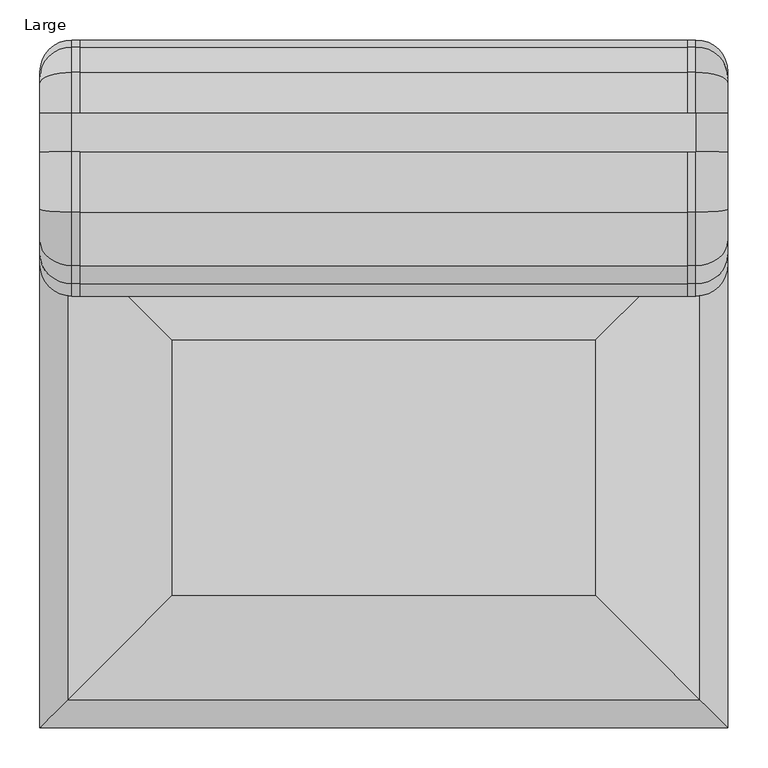
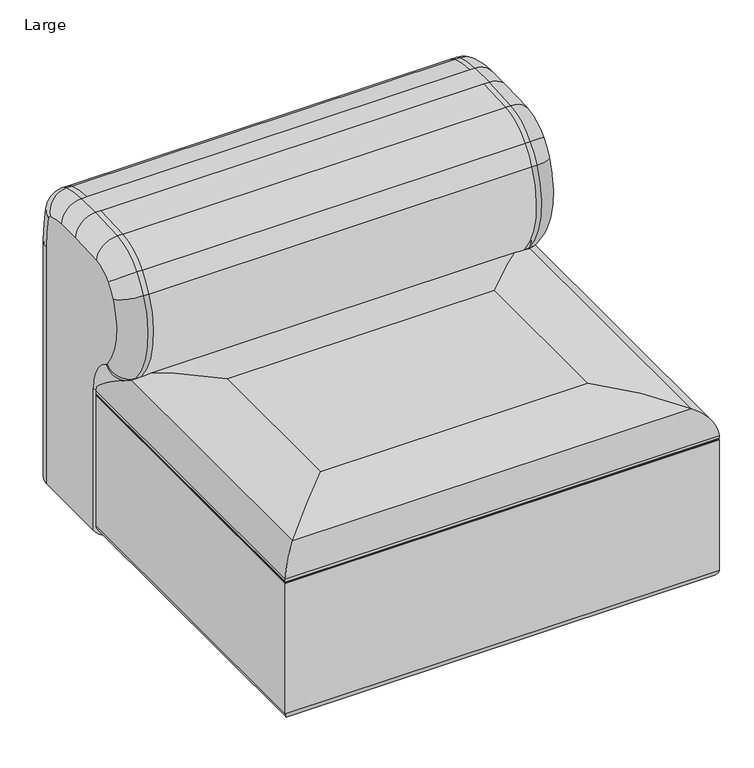
"""IFC4 building model written with IfcOpenShell, lengths in millimetres: furniture geometry, Large."""

from ifc_helpers import new_model, si_unit, point, frame, frame_2d, origin, origin_with_axes, place, context, project, spatial, polyline, circle_curve, ellipse_curve, trimmed, segment, composite_curve, outline, extrude, source, transform, mapped, element, save
from ifc_brep_helpers import plane_surface, cylinder_surface, revolved_surface, advanced_brep


def large_94287460(model_context):
    return source(origin(), model_context, "Body", "SolidModel", [
        advanced_brep(
        [(40.0, -240.0, 25.0), (0.0, -200.0, 25.0), (0.0, -40.0, 25.0), (40.0, 0.0, 25.0), (820.0, 0.0, 25.0), (860.0, -40.0, 25.0), (860.0, -200.0, 25.0), (820.0, -240.0, 25.0), (50.0, -240.0, 322.2258016), (40.0, -240.0, 322.2258016), (820.0, -240.0, 322.2258016), (810.0, -240.0, 322.2258016), (0.0, -200.0, 322.2258016), (0.0, -244.8690097, 400.0923137), (0.0, -247.5141046, 402.315325), (0.0, -268.1557528, 549.3060382), (0.0, -251.5115397, 575.7516627), (0.0, -211.4230155, 596.6382998), (0.0, -140.0193513, 600.0), (0.0, -91.7778918, 600.0), (0.0, -54.0888011, 593.3418233), (0.0, -47.7883578, 586.2689292), (0.0, -40.0, 520.0971421), (50.0, -264.9272276, 365.484975), (40.0, -264.9272276, 365.484975), (40.0, -304.6919644, 565.5880912), (40.0, -278.1527024, 376.6000313), (50.0, -278.1527024, 376.6000313), (50.0, -304.6919644, 565.5880912), (50.0, -281.99531, 601.6503064), (40.0, -281.99531, 601.6503064), (50.0, -215.1811031, 636.4613682), (40.0, -215.1811031, 636.4613682), (50.0, -140.0193513, 640.0), (40.0, -140.0193513, 640.0), (810.0, -140.0193513, 640.0), (820.0, -140.0193513, 640.0), (820.0, -91.7778918, 640.0), (810.0, -91.7778918, 640.0), (50.0, -91.7778918, 640.0), (40.0, -91.7778918, 640.0), (50.0, -40.3836772, 630.9206681), (40.0, -40.3836772, 630.9206681), (50.0, -8.8814606, 595.5561976), (40.0, -8.8814606, 595.5561976), (50.0, 0.0, 520.0971421), (40.0, 0.0, 520.0971421), (810.0, 0.0, 520.0971421), (820.0, 0.0, 520.0971421), (860.0, -40.0, 520.0971421), (860.0, -47.7883578, 586.2689292), (860.0, -54.0888011, 593.3418233), (860.0, -91.7778918, 600.0), (860.0, -140.0193513, 600.0), (860.0, -211.4230155, 596.6382998), (860.0, -251.5115397, 575.7516627), (860.0, -268.1557528, 549.3060382), (860.0, -247.5141046, 402.315325), (860.0, -244.8690097, 400.0923137), (860.0, -200.0, 322.2258016), (820.0, -264.9272276, 365.484975), (810.0, -264.9272276, 365.484975), (820.0, -278.1527024, 376.6000313), (810.0, -278.1527024, 376.6000313), (820.0, -304.6919644, 565.5880912), (810.0, -304.6919644, 565.5880912), (820.0, -281.99531, 601.6503064), (810.0, -281.99531, 601.6503064), (820.0, -215.1811031, 636.4613682), (810.0, -215.1811031, 636.4613682), (820.0, -40.3836772, 630.9206681), (810.0, -40.3836772, 630.9206681), (820.0, -8.8814606, 595.5561976), (810.0, -8.8814606, 595.5561976)],
        [
            (0, 1, circle_curve(frame((40.0, -200.0, 25.0), z_axis=(0.0, 0.0, -1.0), x_axis=(1.0, 0.0, 0.0)), 40.0)),
            (1, 2),
            (2, 3, circle_curve(frame((40.0, -40.0, 25.0), z_axis=(0.0, 0.0, -1.0), x_axis=(1.0, 0.0, 0.0)), 40.0)),
            (3, 4),
            (4, 5, circle_curve(frame((820.0, -40.0, 25.0), z_axis=(0.0, 0.0, -1.0), x_axis=(1.0, 0.0, 0.0)), 40.0)),
            (5, 6),
            (6, 7, circle_curve(frame((820.0, -200.0, 25.0), z_axis=(0.0, 0.0, -1.0), x_axis=(1.0, 0.0, 0.0)), 40.0)),
            (7, 0),
            (8, 9),
            (9, 0),
            (7, 10),
            (10, 11),
            (11, 8),
            (9, 12, circle_curve(frame((40.0, -200.0, 322.2258016), z_axis=(0.0, 0.0, -1.0), x_axis=(1.0, 0.0, 0.0)), 40.0)),
            (12, 1),
            (12, 13, circle_curve(frame((0.0, -290.0, 322.2258016), z_axis=(1.0, 0.0, 0.0), x_axis=(0.0, 1.0, 0.0)), 90.0)),
            (13, 14, circle_curve(frame((0.0, -239.8544552, 408.7441484), z_axis=(-1.0, 0.0, 0.0), x_axis=(0.0, -0.5014554478643385, -0.86518346829281)), 10.0)),
            (14, 15, circle_curve(frame((0.0, -140.2790126, 492.3188529), z_axis=(-1.0, 0.0, 0.0), x_axis=(0.0, -0.7659649434069681, -0.6428823418570152)), 140.0)),
            (15, 16, circle_curve(frame((0.0, -167.6811712, 504.5303926), z_axis=(-1.0, 0.0, 0.0), x_axis=(0.0, -0.9134052877051051, 0.4070513240272708)), 110.0)),
            (16, 17, circle_curve(frame((0.0, -205.7858841, 536.9036972), z_axis=(-1.0, 0.0, 0.0), x_axis=(0.0, -0.7620942588295695, 0.6474660922851552)), 60.0)),
            (17, 18, circle_curve(frame((0.0, -140.0193513, -160.0), z_axis=(-1.0, 0.0, 0.0), x_axis=(0.0, -0.09395218974832444, 0.9955767102747507)), 760.0)),
            (18, 19),
            (19, 20, circle_curve(frame((0.0, -91.7778918, 490.0), z_axis=(-1.0, 0.0, 0.0), x_axis=(0.0, 0.0, 1.0)), 110.0)),
            (20, 21, circle_curve(frame((0.0, -57.5150821, 583.9471121), z_axis=(-1.0, 0.0, 0.0), x_axis=(0.0, 0.3426280969648097, 0.9394711209879061)), 10.0)),
            (21, 22, circle_curve(frame((0.0, -325.0, 520.0971421), z_axis=(-1.0, 0.0, 0.0), x_axis=(0.0, 0.9726724288891785, 0.23218170918232572)), 285.0)),
            (22, 2),
            (8, 23, circle_curve(frame((50.0, -290.0, 322.2258016), z_axis=(1.0, 0.0, 0.0), x_axis=(0.0, 1.0, 0.0)), 50.0)),
            (23, 24),
            (24, 9, circle_curve(frame((40.0, -290.0, 322.2258016), z_axis=(-1.0, 0.0, 0.0), x_axis=(0.0, 1.0, 0.0)), 50.0)),
            (24, 13, circle_curve(frame((40.0, -244.8690097, 400.0923137), z_axis=(0.0, 0.8651834682928035, -0.5014554478643498), x_axis=(1.0, 0.0, 0.0)), 40.0)),
            (25, 26, circle_curve(frame((40.0, -140.2790126, 492.3188529), z_axis=(1.0, 0.0, 0.0), x_axis=(0.0, -0.7659649434069681, -0.6428823418570152)), 180.0)),
            (26, 27),
            (27, 28, circle_curve(frame((50.0, -140.2790126, 492.3188529), z_axis=(-1.0, 0.0, 0.0), x_axis=(0.0, -0.7659649434069681, -0.6428823418570152)), 180.0)),
            (28, 25),
            (14, 26, circle_curve(frame((40.0, -247.5141046, 402.315325), z_axis=(0.0, -0.6428823418570151, 0.7659649434069682), x_axis=(1.0, 0.0, 0.0)), 40.0)),
            (25, 15, circle_curve(frame((40.0, -268.1557528, 549.3060382), z_axis=(0.0, -0.40705132402727234, -0.9134052877051044), x_axis=(1.0, 0.0, 0.0)), 40.0)),
            (28, 29, circle_curve(frame((50.0, -167.6811712, 504.5303926), z_axis=(-1.0, 0.0, 0.0), x_axis=(0.0, -0.9134052877051051, 0.4070513240272708)), 150.0)),
            (29, 30),
            (30, 25, circle_curve(frame((40.0, -167.6811712, 504.5303926), z_axis=(1.0, 0.0, 0.0), x_axis=(0.0, -0.9134052877051051, 0.4070513240272708)), 150.0)),
            (30, 16, circle_curve(frame((40.0, -251.5115397, 575.7516627), z_axis=(0.0, -0.6474660922851551, -0.7620942588295696), x_axis=(1.0, 0.0, 0.0)), 40.0)),
            (29, 31, circle_curve(frame((50.0, -205.7858841, 536.9036972), z_axis=(-1.0, 0.0, 0.0), x_axis=(0.0, -0.7620942588295695, 0.6474660922851552)), 100.0)),
            (31, 32),
            (32, 30, circle_curve(frame((40.0, -205.7858841, 536.9036972), z_axis=(1.0, 0.0, 0.0), x_axis=(0.0, -0.7620942588295695, 0.6474660922851552)), 100.0)),
            (32, 17, circle_curve(frame((40.0, -211.4230155, 596.6382998), z_axis=(0.0, -0.9955767102747507, -0.09395218974832364), x_axis=(1.0, 0.0, 0.0)), 40.0)),
            (31, 33, circle_curve(frame((50.0, -140.0193513, -160.0), z_axis=(-1.0, 0.0, 0.0), x_axis=(0.0, -0.09395218974832444, 0.9955767102747507)), 800.0)),
            (33, 34),
            (34, 32, circle_curve(frame((40.0, -140.0193513, -160.0), z_axis=(1.0, 0.0, 0.0), x_axis=(0.0, -0.09395218974832444, 0.9955767102747507)), 800.0)),
            (34, 18, circle_curve(frame((40.0, -140.0193513, 600.0), z_axis=(0.0, -1.0, 0.0), x_axis=(1.0, 0.0, 0.0)), 40.0)),
            (33, 35),
            (35, 36),
            (36, 37),
            (37, 38),
            (38, 39),
            (39, 40),
            (40, 34),
            (40, 19, circle_curve(frame((40.0, -91.7778918, 600.0), z_axis=(0.0, -1.0, 0.0), x_axis=(1.0, 0.0, 0.0)), 40.0)),
            (39, 41, circle_curve(frame((50.0, -91.7778918, 490.0), z_axis=(-1.0, 0.0, 0.0), x_axis=(0.0, 0.0, 1.0)), 150.0)),
            (41, 42),
            (42, 40, circle_curve(frame((40.0, -91.7778918, 490.0), z_axis=(1.0, 0.0, 0.0), x_axis=(0.0, 0.0, 1.0)), 150.0)),
            (42, 20, circle_curve(frame((40.0, -54.0888011, 593.3418233), z_axis=(0.0, -0.9394711209879061, 0.3426280969648097), x_axis=(1.0, 0.0, 0.0)), 40.0)),
            (41, 43, circle_curve(frame((50.0, -57.5150821, 583.9471121), z_axis=(-1.0, 0.0, 0.0), x_axis=(0.0, 0.3426280969648097, 0.9394711209879061)), 50.0)),
            (43, 44),
            (44, 42, circle_curve(frame((40.0, -57.5150821, 583.9471121), z_axis=(1.0, 0.0, 0.0), x_axis=(0.0, 0.3426280969648097, 0.9394711209879061)), 50.0)),
            (44, 21, circle_curve(frame((40.0, -47.7883578, 586.2689292), z_axis=(0.0, -0.2321817091823244, 0.9726724288891787), x_axis=(1.0, 0.0, 0.0)), 40.0)),
            (43, 45, circle_curve(frame((50.0, -325.0, 520.0971421), z_axis=(-1.0, 0.0, 0.0), x_axis=(0.0, 0.9726724288891785, 0.23218170918232572)), 325.0)),
            (45, 46),
            (46, 44, circle_curve(frame((40.0, -325.0, 520.0971421), z_axis=(1.0, 0.0, 0.0), x_axis=(0.0, 0.9726724288891785, 0.23218170918232572)), 325.0)),
            (46, 22, circle_curve(frame((40.0, -40.0, 520.0971421), z_axis=(0.0, 0.0, 1.0), x_axis=(1.0, 0.0, 0.0)), 40.0)),
            (45, 47),
            (47, 48),
            (48, 4),
            (3, 46),
            (5, 49),
            (49, 50, circle_curve(frame((860.0, -325.0, 520.0971421), z_axis=(1.0, 0.0, 0.0), x_axis=(0.0, 0.9726724288891785, 0.23218170918232572)), 285.0)),
            (50, 51, circle_curve(frame((860.0, -57.5150821, 583.9471121), z_axis=(1.0, 0.0, 0.0), x_axis=(0.0, 0.3426280969648097, 0.9394711209879061)), 10.0)),
            (51, 52, circle_curve(frame((860.0, -91.7778918, 490.0), z_axis=(1.0, 0.0, 0.0), x_axis=(0.0, 0.0, 1.0)), 110.0)),
            (52, 53),
            (53, 54, circle_curve(frame((860.0, -140.0193513, -160.0), z_axis=(1.0, 0.0, 0.0), x_axis=(0.0, -0.09395218974832444, 0.9955767102747507)), 760.0)),
            (54, 55, circle_curve(frame((860.0, -205.7858841, 536.9036972), z_axis=(1.0, 0.0, 0.0), x_axis=(0.0, -0.7620942588295695, 0.6474660922851552)), 60.0)),
            (55, 56, circle_curve(frame((860.0, -167.6811712, 504.5303926), z_axis=(1.0, 0.0, 0.0), x_axis=(0.0, -0.9134052877051051, 0.4070513240272708)), 110.0)),
            (56, 57, circle_curve(frame((860.0, -140.2790126, 492.3188529), z_axis=(1.0, 0.0, 0.0), x_axis=(0.0, -0.7659649434069681, -0.6428823418570152)), 140.0)),
            (57, 58, circle_curve(frame((860.0, -239.8544552, 408.7441484), z_axis=(1.0, 0.0, 0.0), x_axis=(0.0, -0.5014554478643385, -0.86518346829281)), 10.0)),
            (58, 59, circle_curve(frame((860.0, -290.0, 322.2258016), z_axis=(-1.0, 0.0, 0.0), x_axis=(0.0, 1.0, 0.0)), 90.0)),
            (59, 6),
            (59, 10, circle_curve(frame((820.0, -200.0, 322.2258016), z_axis=(0.0, 0.0, -1.0), x_axis=(1.0, 0.0, 0.0)), 40.0)),
            (58, 60, circle_curve(frame((820.0, -244.8690097, 400.0923137), z_axis=(0.0, 0.8651834682928066, -0.5014554478643445), x_axis=(1.0, 0.0, 0.0)), 40.0)),
            (60, 10, circle_curve(frame((820.0, -290.0, 322.2258016), z_axis=(-1.0, 0.0, 0.0), x_axis=(0.0, 1.0, 0.0)), 50.0)),
            (60, 61),
            (61, 11, circle_curve(frame((810.0, -290.0, 322.2258016), z_axis=(-1.0, 0.0, 0.0), x_axis=(0.0, 1.0, 0.0)), 50.0)),
            (23, 27, circle_curve(frame((50.0, -239.8544552, 408.7441484), z_axis=(-1.0, 0.0, 0.0), x_axis=(0.0, -0.5014554478643385, -0.86518346829281)), 50.0)),
            (26, 24, circle_curve(frame((40.0, -239.8544552, 408.7441484), z_axis=(1.0, 0.0, 0.0), x_axis=(0.0, -0.5014554478643385, -0.86518346829281)), 50.0)),
            (57, 62, circle_curve(frame((820.0, -247.5141046, 402.315325), z_axis=(0.0, 0.6428823418570166, -0.7659649434069669), x_axis=(1.0, 0.0, 0.0)), 40.0)),
            (62, 60, circle_curve(frame((820.0, -239.8544552, 408.7441484), z_axis=(1.0, 0.0, 0.0), x_axis=(0.0, -0.5014554478643385, -0.86518346829281)), 50.0)),
            (62, 63),
            (63, 61, circle_curve(frame((810.0, -239.8544552, 408.7441484), z_axis=(1.0, 0.0, 0.0), x_axis=(0.0, -0.5014554478643385, -0.86518346829281)), 50.0)),
            (56, 64, circle_curve(frame((820.0, -268.1557528, 549.3060382), z_axis=(0.0, -0.40705132402727234, -0.9134052877051044), x_axis=(1.0, 0.0, 0.0)), 40.0)),
            (64, 62, circle_curve(frame((820.0, -140.2790126, 492.3188529), z_axis=(1.0, 0.0, 0.0), x_axis=(0.0, -0.7659649434069681, -0.6428823418570152)), 180.0)),
            (64, 65),
            (65, 63, circle_curve(frame((810.0, -140.2790126, 492.3188529), z_axis=(1.0, 0.0, 0.0), x_axis=(0.0, -0.7659649434069681, -0.6428823418570152)), 180.0)),
            (55, 66, circle_curve(frame((820.0, -251.5115397, 575.7516627), z_axis=(0.0, -0.6474660922851553, -0.7620942588295695), x_axis=(1.0, 0.0, 0.0)), 40.0)),
            (66, 64, circle_curve(frame((820.0, -167.6811712, 504.5303926), z_axis=(1.0, 0.0, 0.0), x_axis=(0.0, -0.9134052877051051, 0.4070513240272708)), 150.0)),
            (66, 67),
            (67, 65, circle_curve(frame((810.0, -167.6811712, 504.5303926), z_axis=(1.0, 0.0, 0.0), x_axis=(0.0, -0.9134052877051051, 0.4070513240272708)), 150.0)),
            (54, 68, circle_curve(frame((820.0, -211.4230155, 596.6382998), z_axis=(0.0, -0.9955767102747507, -0.09395218974832398), x_axis=(1.0, 0.0, 0.0)), 40.0)),
            (68, 66, circle_curve(frame((820.0, -205.7858841, 536.9036972), z_axis=(1.0, 0.0, 0.0), x_axis=(0.0, -0.7620942588295695, 0.6474660922851552)), 100.0)),
            (68, 69),
            (69, 67, circle_curve(frame((810.0, -205.7858841, 536.9036972), z_axis=(1.0, 0.0, 0.0), x_axis=(0.0, -0.7620942588295695, 0.6474660922851552)), 100.0)),
            (53, 36, circle_curve(frame((820.0, -140.0193513, 600.0), z_axis=(0.0, -1.0, 0.0), x_axis=(1.0, 0.0, 0.0)), 40.0)),
            (36, 68, circle_curve(frame((820.0, -140.0193513, -160.0), z_axis=(1.0, 0.0, 0.0), x_axis=(0.0, -0.09395218974832444, 0.9955767102747507)), 800.0)),
            (35, 69, circle_curve(frame((810.0, -140.0193513, -160.0), z_axis=(1.0, 0.0, 0.0), x_axis=(0.0, -0.09395218974832444, 0.9955767102747507)), 800.0)),
            (52, 37, circle_curve(frame((820.0, -91.7778918, 600.0), z_axis=(0.0, -1.0, 0.0), x_axis=(1.0, 0.0, 0.0)), 40.0)),
            (51, 70, circle_curve(frame((820.0, -54.0888011, 593.3418233), z_axis=(0.0, -0.9394711209879061, 0.3426280969648097), x_axis=(1.0, 0.0, 0.0)), 40.0)),
            (70, 37, circle_curve(frame((820.0, -91.7778918, 490.0), z_axis=(1.0, 0.0, 0.0), x_axis=(0.0, 0.0, 1.0)), 150.0)),
            (70, 71),
            (71, 38, circle_curve(frame((810.0, -91.7778918, 490.0), z_axis=(1.0, 0.0, 0.0), x_axis=(0.0, 0.0, 1.0)), 150.0)),
            (50, 72, circle_curve(frame((820.0, -47.7883578, 586.2689292), z_axis=(0.0, -0.23218170918231668, 0.9726724288891806), x_axis=(1.0, 0.0, 0.0)), 40.0)),
            (72, 70, circle_curve(frame((820.0, -57.5150821, 583.9471121), z_axis=(1.0, 0.0, 0.0), x_axis=(0.0, 0.3426280969648097, 0.9394711209879061)), 50.0)),
            (72, 73),
            (73, 71, circle_curve(frame((810.0, -57.5150821, 583.9471121), z_axis=(1.0, 0.0, 0.0), x_axis=(0.0, 0.3426280969648097, 0.9394711209879061)), 50.0)),
            (49, 48, circle_curve(frame((820.0, -40.0, 520.0971421), z_axis=(0.0, 0.0, 1.0), x_axis=(1.0, 0.0, 0.0)), 40.0)),
            (48, 72, circle_curve(frame((820.0, -325.0, 520.0971421), z_axis=(1.0, 0.0, 0.0), x_axis=(0.0, 0.9726724288891785, 0.23218170918232572)), 325.0)),
            (47, 73, circle_curve(frame((810.0, -325.0, 520.0971421), z_axis=(1.0, 0.0, 0.0), x_axis=(0.0, 0.9726724288891785, 0.23218170918232572)), 325.0)),
            (43, 73),
            (41, 71),
            (31, 69),
            (29, 67),
            (28, 65),
            (27, 63),
            (61, 23),
        ],
        [
            plane_surface(frame((0.0, -240.0, 25.0), z_axis=(0.0, 0.0, -1.0), x_axis=(1.0, 0.0, 0.0))),
            plane_surface(frame((50.0, -240.0, 25.0), z_axis=(0.0, -1.0, 0.0), x_axis=(0.0, 0.0, 1.0))),
            cylinder_surface(frame((40.0, -200.0, 25.0), z_axis=(0.0, 0.0, -1.0), x_axis=(1.0, 0.0, 0.0)), 40.0),
            plane_surface(frame((0.0, -200.0, 25.0), z_axis=(-1.0, 0.0, 0.0), x_axis=(0.0, 0.0, 1.0))),
            revolved_surface(polyline([(50.0, -240.0, 322.2258016), (40.0, -240.0, 322.2258016)]), (0.0, -290.0, 322.2258016), (1.0, 0.0, 0.0)),
            revolved_surface(trimmed(ellipse_curve(frame((40.0, -200.0, 322.2258016), z_axis=(0.0, 0.0, -1.0), x_axis=(1.0, 0.0, 0.0)), 40.0, 40.0), [point((40.0, -240.0, 322.2258016))], [point((0.0, -200.0, 322.2258016))], True, "CARTESIAN"), (0.0, -290.0, 322.2258016), (1.0, 0.0, 0.0)),
            cylinder_surface(frame((0.0, -140.2790126, 492.3188529), z_axis=(-1.0, 0.0, 0.0), x_axis=(0.0, -0.7659649434069681, -0.6428823418570152)), 180.0),
            revolved_surface(trimmed(ellipse_curve(frame((40.0, -247.5141046, 402.315325), z_axis=(0.0, 0.6428823418570151, -0.7659649434069682), x_axis=(1.0, 0.0, 0.0)), 40.0, 40.0), [point((40.0, -278.1527024, 376.6000313))], [point((0.0, -247.5141046, 402.315325))], True, "CARTESIAN"), (0.0, -140.2790126, 492.3188529), (-1.0, 0.0, 0.0)),
            cylinder_surface(frame((0.0, -167.6811712, 504.5303926), z_axis=(-1.0, 0.0, 0.0), x_axis=(0.0, -0.9134052877051051, 0.4070513240272708)), 150.0),
            revolved_surface(trimmed(ellipse_curve(frame((40.0, -268.1557528, 549.3060382), z_axis=(0.0, -0.4070513240272708, -0.9134052877051051), x_axis=(1.0, 0.0, 0.0)), 40.0, 40.0), [point((40.0, -304.6919644, 565.5880912))], [point((0.0, -268.1557528, 549.3060382))], True, "CARTESIAN"), (0.0, -167.6811712, 504.5303926), (-1.0, 0.0, 0.0)),
            cylinder_surface(frame((0.0, -205.7858841, 536.9036972), z_axis=(-1.0, 0.0, 0.0), x_axis=(0.0, -0.7620942588295695, 0.6474660922851552)), 100.0),
            revolved_surface(trimmed(ellipse_curve(frame((40.0, -251.5115397, 575.7516627), z_axis=(0.0, -0.6474660922851553, -0.7620942588295694), x_axis=(1.0, 0.0, 0.0)), 40.0, 40.0), [point((40.0, -281.99531, 601.6503064))], [point((0.0, -251.5115397, 575.7516627))], True, "CARTESIAN"), (0.0, -205.7858841, 536.9036972), (-1.0, 0.0, 0.0)),
            cylinder_surface(frame((0.0, -140.0193513, -160.0), z_axis=(-1.0, 0.0, 0.0), x_axis=(0.0, -0.09395218974832444, 0.9955767102747507)), 800.0),
            revolved_surface(trimmed(ellipse_curve(frame((40.0, -211.4230155, 596.6382998), z_axis=(0.0, -0.9955767102747507, -0.0939521897483242), x_axis=(1.0, 0.0, 0.0)), 40.0, 40.0), [point((40.0, -215.1811031, 636.4613682))], [point((0.0, -211.4230155, 596.6382998))], True, "CARTESIAN"), (0.0, -140.0193513, -160.0), (-1.0, 0.0, 0.0)),
            plane_surface(frame((50.0, -140.0193513, 640.0), z_axis=(0.0, 0.0, 1.0), x_axis=(0.0, 1.0, 0.0))),
            cylinder_surface(frame((40.0, -140.0193513, 600.0), z_axis=(0.0, -1.0, 0.0), x_axis=(1.0, 0.0, 0.0)), 40.0),
            cylinder_surface(frame((0.0, -91.7778918, 490.0), z_axis=(-1.0, 0.0, 0.0), x_axis=(0.0, 0.0, 1.0)), 150.0),
            revolved_surface(trimmed(ellipse_curve(frame((40.0, -91.7778918, 600.0), z_axis=(0.0, -1.0, 0.0), x_axis=(1.0, 0.0, 0.0)), 40.0, 40.0), [point((40.0, -91.7778918, 640.0))], [point((0.0, -91.7778918, 600.0))], True, "CARTESIAN"), (0.0, -91.7778918, 490.0), (-1.0, 0.0, 0.0)),
            cylinder_surface(frame((0.0, -57.5150821, 583.9471121), z_axis=(-1.0, 0.0, 0.0), x_axis=(0.0, 0.3426280969648097, 0.9394711209879061)), 50.0),
            revolved_surface(trimmed(ellipse_curve(frame((40.0, -54.0888011, 593.3418233), z_axis=(0.0, -0.939471120987906, 0.34262809696481017), x_axis=(1.0, 0.0, 0.0)), 40.0, 40.0), [point((40.0, -40.3836772, 630.9206681))], [point((0.0, -54.0888011, 593.3418233))], True, "CARTESIAN"), (0.0, -57.5150821, 583.9471121), (-1.0, 0.0, 0.0)),
            cylinder_surface(frame((0.0, -325.0, 520.0971421), z_axis=(-1.0, 0.0, 0.0), x_axis=(0.0, 0.9726724288891785, 0.23218170918232572)), 325.0),
            revolved_surface(trimmed(ellipse_curve(frame((40.0, -47.7883578, 586.2689292), z_axis=(0.0, -0.23218170918232559, 0.9726724288891785), x_axis=(1.0, 0.0, 0.0)), 40.0, 40.0), [point((40.0, -8.8814606, 595.5561976))], [point((0.0, -47.7883578, 586.2689292))], True, "CARTESIAN"), (0.0, -325.0, 520.0971421), (-1.0, 0.0, 0.0)),
            plane_surface(frame((50.0, 0.0, 520.0971421), z_axis=(0.0, 1.0, 0.0), x_axis=(0.0, 0.0, -1.0))),
            cylinder_surface(frame((40.0, -40.0, 520.0971421), z_axis=(0.0, 0.0, 1.0), x_axis=(1.0, 0.0, 0.0)), 40.0),
            plane_surface(frame((860.0, -195.0, 25.0), z_axis=(1.0, 0.0, 0.0), x_axis=(0.0, 0.0, 1.0))),
            cylinder_surface(frame((820.0, -200.0, 25.0), z_axis=(0.0, 0.0, -1.0), x_axis=(1.0, 0.0, 0.0)), 40.0),
            revolved_surface(trimmed(ellipse_curve(frame((820.0, -200.0, 322.2258016), z_axis=(0.0, 0.0, -1.0), x_axis=(1.0, 0.0, 0.0)), 40.0, 40.0), [point((860.0, -200.0, 322.2258016))], [point((820.0, -240.0, 322.2258016))], True, "CARTESIAN"), (0.0, -290.0, 322.2258016), (1.0, 0.0, 0.0)),
            revolved_surface(polyline([(820.0, -240.0, 322.2258016), (810.0, -240.0, 322.2258016)]), (0.0, -290.0, 322.2258016), (1.0, 0.0, 0.0)),
            cylinder_surface(frame((0.0, -239.8544552, 408.7441484), z_axis=(-1.0, 0.0, 0.0), x_axis=(0.0, -0.5014554478643385, -0.86518346829281)), 50.0),
            revolved_surface(trimmed(ellipse_curve(frame((40.0, -244.8690097, 400.0923137), z_axis=(0.0, 0.8651834682928099, -0.5014554478643386), x_axis=(1.0, 0.0, 0.0)), 40.0, 40.0), [point((40.0, -264.9272276, 365.484975))], [point((0.0, -244.8690097, 400.0923137))], True, "CARTESIAN"), (0.0, -239.8544552, 408.7441484), (-1.0, 0.0, 0.0)),
            revolved_surface(trimmed(ellipse_curve(frame((820.0, -244.8690097, 400.0923137), z_axis=(0.0, 0.8651834682928099, -0.5014554478643386), x_axis=(1.0, 0.0, 0.0)), 40.0, 40.0), [point((860.0, -244.8690097, 400.0923137))], [point((820.0, -264.9272276, 365.484975))], True, "CARTESIAN"), (0.0, -239.8544552, 408.7441484), (-1.0, 0.0, 0.0)),
            revolved_surface(trimmed(ellipse_curve(frame((820.0, -247.5141046, 402.315325), z_axis=(0.0, 0.6428823418570151, -0.7659649434069682), x_axis=(1.0, 0.0, 0.0)), 40.0, 40.0), [point((860.0, -247.5141046, 402.315325))], [point((820.0, -278.1527024, 376.6000313))], True, "CARTESIAN"), (0.0, -140.2790126, 492.3188529), (-1.0, 0.0, 0.0)),
            revolved_surface(trimmed(ellipse_curve(frame((820.0, -268.1557528, 549.3060382), z_axis=(0.0, -0.4070513240272708, -0.9134052877051051), x_axis=(1.0, 0.0, 0.0)), 40.0, 40.0), [point((860.0, -268.1557528, 549.3060382))], [point((820.0, -304.6919644, 565.5880912))], True, "CARTESIAN"), (0.0, -167.6811712, 504.5303926), (-1.0, 0.0, 0.0)),
            revolved_surface(trimmed(ellipse_curve(frame((820.0, -251.5115397, 575.7516627), z_axis=(0.0, -0.6474660922851553, -0.7620942588295694), x_axis=(1.0, 0.0, 0.0)), 40.0, 40.0), [point((860.0, -251.5115397, 575.7516627))], [point((820.0, -281.99531, 601.6503064))], True, "CARTESIAN"), (0.0, -205.7858841, 536.9036972), (-1.0, 0.0, 0.0)),
            revolved_surface(trimmed(ellipse_curve(frame((820.0, -211.4230155, 596.6382998), z_axis=(0.0, -0.9955767102747507, -0.0939521897483242), x_axis=(1.0, 0.0, 0.0)), 40.0, 40.0), [point((860.0, -211.4230155, 596.6382998))], [point((820.0, -215.1811031, 636.4613682))], True, "CARTESIAN"), (0.0, -140.0193513, -160.0), (-1.0, 0.0, 0.0)),
            cylinder_surface(frame((820.0, -140.0193513, 600.0), z_axis=(0.0, -1.0, 0.0), x_axis=(1.0, 0.0, 0.0)), 40.0),
            revolved_surface(trimmed(ellipse_curve(frame((820.0, -91.7778918, 600.0), z_axis=(0.0, -1.0, 0.0), x_axis=(1.0, 0.0, 0.0)), 40.0, 40.0), [point((860.0, -91.7778918, 600.0))], [point((820.0, -91.7778918, 640.0))], True, "CARTESIAN"), (0.0, -91.7778918, 490.0), (-1.0, 0.0, 0.0)),
            revolved_surface(trimmed(ellipse_curve(frame((820.0, -54.0888011, 593.3418233), z_axis=(0.0, -0.939471120987906, 0.34262809696481017), x_axis=(1.0, 0.0, 0.0)), 40.0, 40.0), [point((860.0, -54.0888011, 593.3418233))], [point((820.0, -40.3836772, 630.9206681))], True, "CARTESIAN"), (0.0, -57.5150821, 583.9471121), (-1.0, 0.0, 0.0)),
            revolved_surface(trimmed(ellipse_curve(frame((820.0, -47.7883578, 586.2689292), z_axis=(0.0, -0.23218170918232559, 0.9726724288891785), x_axis=(1.0, 0.0, 0.0)), 40.0, 40.0), [point((860.0, -47.7883578, 586.2689292))], [point((820.0, -8.8814606, 595.5561976))], True, "CARTESIAN"), (0.0, -325.0, 520.0971421), (-1.0, 0.0, 0.0)),
            cylinder_surface(frame((820.0, -40.0, 520.0971421), z_axis=(0.0, 0.0, 1.0), x_axis=(1.0, 0.0, 0.0)), 40.0),
            cylinder_surface(frame((50.0, -325.0, 520.0971421), z_axis=(1.0, 0.0, 0.0), x_axis=(0.0, 1.0, 0.0)), 325.0),
            cylinder_surface(frame((50.0, -57.5150821, 583.9471121), z_axis=(1.0, 0.0, 0.0), x_axis=(0.0, 1.0, 0.0)), 50.0),
            cylinder_surface(frame((50.0, -91.7778918, 490.0), z_axis=(1.0, 0.0, 0.0), x_axis=(0.0, 1.0, 0.0)), 150.0),
            cylinder_surface(frame((50.0, -140.0193513, -160.0), z_axis=(1.0, 0.0, 0.0), x_axis=(0.0, 1.0, 0.0)), 800.0),
            cylinder_surface(frame((50.0, -205.7858841, 536.9036972), z_axis=(1.0, 0.0, 0.0), x_axis=(0.0, 1.0, 0.0)), 100.0),
            cylinder_surface(frame((50.0, -167.6811712, 504.5303926), z_axis=(1.0, 0.0, 0.0), x_axis=(0.0, 1.0, 0.0)), 150.0),
            cylinder_surface(frame((50.0, -140.2790126, 492.3188529), z_axis=(1.0, 0.0, 0.0), x_axis=(0.0, 1.0, 0.0)), 180.0),
            revolved_surface(polyline([(50.0, -240.0, 322.2258016), (810.0, -240.0, 322.2258016)]), (50.0, -290.0, 322.2258016), (-1.0, 0.0, 0.0)),
            cylinder_surface(frame((50.0, -239.8544552, 408.7441484), z_axis=(1.0, 0.0, 0.0), x_axis=(0.0, 1.0, 0.0)), 50.0),
        ],
        [
            (0, [[1, 2, 3, 4, 5, 6, 7, 8]]),
            (1, [[9, 10, -8, 11, 12, 13]]),
            (2, [[-1, -10, 14, 15]]),
            (3, [[-2, -15, 16, 17, 18, 19, 20, 21, 22, 23, 24, 25, 26]]),
            (4, [[-9, 27, 28, 29]]),
            (5, [[-14, -29, 30, -16]]),
            (6, [[31, 32, 33, 34]]),
            (7, [[-18, 35, -31, 36]]),
            (8, [[-34, 37, 38, 39]]),
            (9, [[-19, -36, -39, 40]]),
            (10, [[-38, 41, 42, 43]]),
            (11, [[-20, -40, -43, 44]]),
            (12, [[-42, 45, 46, 47]]),
            (13, [[-21, -44, -47, 48]]),
            (14, [[-46, 49, 50, 51, 52, 53, 54, 55]]),
            (15, [[-22, -48, -55, 56]]),
            (16, [[-54, 57, 58, 59]]),
            (17, [[-23, -56, -59, 60]]),
            (18, [[-58, 61, 62, 63]]),
            (19, [[-24, -60, -63, 64]]),
            (20, [[-62, 65, 66, 67]]),
            (21, [[-25, -64, -67, 68]]),
            (22, [[-66, 69, 70, 71, -4, 72]]),
            (23, [[-26, -68, -72, -3]]),
            (24, [[-6, 73, 74, 75, 76, 77, 78, 79, 80, 81, 82, 83, 84]]),
            (25, [[-7, -84, 85, -11]]),
            (26, [[-83, 86, 87, -85]]),
            (27, [[-12, -87, 88, 89]]),
            (28, [[-28, 90, -32, 91]]),
            (29, [[-17, -30, -91, -35]]),
            (30, [[-82, 92, 93, -86]]),
            (28, [[-88, -93, 94, 95]]),
            (31, [[-81, 96, 97, -92]]),
            (6, [[-94, -97, 98, 99]]),
            (32, [[-80, 100, 101, -96]]),
            (8, [[-98, -101, 102, 103]]),
            (33, [[-79, 104, 105, -100]]),
            (10, [[-102, -105, 106, 107]]),
            (34, [[-78, 108, 109, -104]]),
            (12, [[-106, -109, -50, 110]]),
            (35, [[-77, 111, -51, -108]]),
            (36, [[-76, 112, 113, -111]]),
            (16, [[-52, -113, 114, 115]]),
            (37, [[-75, 116, 117, -112]]),
            (18, [[-114, -117, 118, 119]]),
            (38, [[-74, 120, 121, -116]]),
            (20, [[-118, -121, -70, 122]]),
            (39, [[-5, -71, -120, -73]]),
            (40, [[-69, -65, 123, -122]]),
            (41, [[-123, -61, 124, -119]]),
            (42, [[-124, -57, -53, -115]]),
            (43, [[-49, -45, 125, -110]]),
            (44, [[-125, -41, 126, -107]]),
            (45, [[-126, -37, 127, -103]]),
            (46, [[-127, -33, 128, -99]]),
            (47, [[129, -27, -13, -89]]),
            (48, [[-128, -90, -129, -95]]),
        ],
    ),
        advanced_brep(
        [(0.2526316, -859.7473684, 314.5703509), (0.0, -860.0, 313.8338096), (860.0, -860.0, 313.8338096), (859.7473684, -859.7473684, 314.5703509), (859.7473684, -859.7473684, 315.4296491), (0.2526316, -859.7473684, 315.4296491), (860.0, -860.0, 316.1661904), (0.0, -860.0, 316.1661904), (860.0, -860.0, 322.2258016), (0.0, -860.0, 322.2258016), (825.0952261, -825.0952261, 369.8927099), (34.9047739, -825.0952261, 369.8927099), (695.0, -695.0, 390.0), (165.0, -695.0, 390.0), (0.0, -860.0, 40.0), (860.0, -860.0, 40.0), (860.0, -210.0, 313.8338096), (859.7473684, -210.2526316, 314.5703509), (859.7473684, -210.2526316, 315.4296491), (860.0, -210.0, 316.1661904), (860.0, -210.0, 322.2258016), (825.0952261, -244.9047739, 369.8927099), (695.0, -375.0, 390.0), (860.0, -210.0, 40.0), (0.0, -210.0, 313.8338096), (0.2526316, -210.2526316, 314.5703509), (0.2526316, -210.2526316, 315.4296491), (0.0, -210.0, 316.1661904), (0.0, -210.0, 322.2258016), (34.9047739, -244.9047739, 369.8927099), (165.0, -375.0, 390.0), (0.0, -210.0, 40.0), (15.0, -845.0, 25.0), (15.0, -225.0, 25.0), (845.0, -225.0, 25.0), (845.0, -845.0, 25.0)],
        [
            (0, 1, ellipse_curve(frame((1.2, -858.8, 313.8338096), z_axis=(0.7071067811865475, -0.7071067811865475, 0.0), x_axis=(-0.7071067811865476, -0.7071067811865474, 0.0)), 1.6970563, 1.2)),
            (1, 2),
            (2, 3, ellipse_curve(frame((858.8, -858.8, 313.8338096), z_axis=(-0.7071067811865475, -0.7071067811865475, 0.0), x_axis=(-0.7071067811865476, 0.7071067811865474, 0.0)), 1.6970563, 1.2)),
            (3, 0),
            (3, 4, ellipse_curve(frame((860.3, -860.3, 315.0), z_axis=(0.7071067811865475, 0.7071067811865475, 0.0), x_axis=(0.7071067811865476, -0.7071067811865474, 0.0)), 0.9899495, 0.7)),
            (4, 5),
            (5, 0, ellipse_curve(frame((-0.3, -860.3, 315.0), z_axis=(-0.7071067811865475, 0.7071067811865475, 0.0), x_axis=(0.7071067811865476, 0.7071067811865474, 0.0)), 0.9899495, 0.7)),
            (4, 6, ellipse_curve(frame((858.8, -858.8, 316.1661904), z_axis=(-0.7071067811865475, -0.7071067811865475, 0.0), x_axis=(-0.7071067811865476, 0.7071067811865474, 0.0)), 1.6970563, 1.2)),
            (6, 7),
            (7, 5, ellipse_curve(frame((1.2, -858.8, 316.1661904), z_axis=(0.7071067811865475, -0.7071067811865475, 0.0), x_axis=(-0.7071067811865476, -0.7071067811865474, 0.0)), 1.6970563, 1.2)),
            (6, 8),
            (8, 9),
            (9, 7),
            (8, 10, ellipse_curve(frame((810.0, -810.0, 322.2258016), z_axis=(-0.7071067811865475, -0.7071067811865475, 0.0), x_axis=(-0.7071067811865476, 0.7071067811865474, 0.0)), 70.7106781, 50.0)),
            (10, 11),
            (11, 9, ellipse_curve(frame((50.0, -810.0, 322.2258016), z_axis=(0.7071067811865475, -0.7071067811865475, 0.0), x_axis=(-0.7071067811865476, -0.7071067811865474, 0.0)), 70.7106781, 50.0)),
            (10, 12, ellipse_curve(frame((695.0, -695.0, -40.915128), z_axis=(-0.7071067811865475, -0.7071067811865475, 0.0), x_axis=(-0.7071067811865476, 0.7071067811865474, 0.0)), 609.4060183, 430.915128)),
            (12, 13),
            (13, 11, ellipse_curve(frame((165.0, -695.0, -40.915128), z_axis=(0.7071067811865475, -0.7071067811865475, 0.0), x_axis=(-0.7071067811865476, -0.7071067811865474, 0.0)), 609.4060183, 430.915128)),
            (1, 14),
            (14, 15),
            (15, 2),
            (2, 16),
            (16, 17, ellipse_curve(frame((858.8, -211.2, 313.8338096), z_axis=(0.7071067811865475, -0.7071067811865475, 0.0), x_axis=(-0.7071067811865474, -0.7071067811865476, 0.0)), 1.6970563, 1.2)),
            (17, 3),
            (17, 18, ellipse_curve(frame((860.3, -209.7, 315.0), z_axis=(-0.7071067811865475, 0.7071067811865475, 0.0), x_axis=(0.7071067811865474, 0.7071067811865476, 0.0)), 0.9899495, 0.7)),
            (18, 4),
            (18, 19, ellipse_curve(frame((858.8, -211.2, 316.1661904), z_axis=(0.7071067811865475, -0.7071067811865475, 0.0), x_axis=(-0.7071067811865474, -0.7071067811865476, 0.0)), 1.6970563, 1.2)),
            (19, 6),
            (19, 20),
            (20, 8),
            (20, 21, ellipse_curve(frame((810.0, -260.0, 322.2258016), z_axis=(0.7071067811865475, -0.7071067811865475, 0.0), x_axis=(-0.7071067811865474, -0.7071067811865476, 0.0)), 70.7106781, 50.0)),
            (21, 10),
            (21, 22, ellipse_curve(frame((695.0, -375.0, -40.915128), z_axis=(0.7071067811865475, -0.7071067811865475, 0.0), x_axis=(-0.7071067811865474, -0.7071067811865476, 0.0)), 609.4060183, 430.915128)),
            (22, 12),
            (15, 23),
            (23, 16),
            (16, 24),
            (24, 25, ellipse_curve(frame((1.2, -211.2, 313.8338096), z_axis=(0.7071067811865475, 0.7071067811865475, 0.0), x_axis=(0.7071067811865476, -0.7071067811865474, 0.0)), 1.6970563, 1.2)),
            (25, 17),
            (25, 26, ellipse_curve(frame((-0.3, -209.7, 315.0), z_axis=(-0.7071067811865475, -0.7071067811865475, 0.0), x_axis=(-0.7071067811865476, 0.7071067811865474, 0.0)), 0.9899495, 0.7)),
            (26, 18),
            (26, 27, ellipse_curve(frame((1.2, -211.2, 316.1661904), z_axis=(0.7071067811865475, 0.7071067811865475, 0.0), x_axis=(0.7071067811865476, -0.7071067811865474, 0.0)), 1.6970563, 1.2)),
            (27, 19),
            (27, 28),
            (28, 20),
            (28, 29, ellipse_curve(frame((50.0, -260.0, 322.2258016), z_axis=(0.7071067811865475, 0.7071067811865475, 0.0), x_axis=(0.7071067811865476, -0.7071067811865474, 0.0)), 70.7106781, 50.0)),
            (29, 21),
            (29, 30, ellipse_curve(frame((165.0, -375.0, -40.915128), z_axis=(0.7071067811865475, 0.7071067811865475, 0.0), x_axis=(0.7071067811865476, -0.7071067811865474, 0.0)), 609.4060183, 430.915128)),
            (30, 22),
            (23, 31),
            (31, 24),
            (0, 25),
            (24, 1),
            (5, 26),
            (7, 27),
            (9, 28),
            (11, 29),
            (13, 30),
            (32, 33),
            (33, 34),
            (34, 35),
            (35, 32),
            (31, 14),
            (14, 32, ellipse_curve(frame((15.0, -845.0, 40.0), z_axis=(0.7071067811865475, -0.7071067811865475, 0.0), x_axis=(-0.7071067811865476, -0.7071067811865474, 0.0)), 21.2132034, 15.0)),
            (35, 15, ellipse_curve(frame((845.0, -845.0, 40.0), z_axis=(-0.7071067811865475, -0.7071067811865475, 0.0), x_axis=(-0.7071067811865476, 0.7071067811865474, 0.0)), 21.2132034, 15.0)),
            (34, 23, ellipse_curve(frame((845.0, -225.0, 40.0), z_axis=(0.7071067811865475, -0.7071067811865475, 0.0), x_axis=(-0.7071067811865474, -0.7071067811865476, 0.0)), 21.2132034, 15.0)),
            (33, 31, ellipse_curve(frame((15.0, -225.0, 40.0), z_axis=(0.7071067811865475, 0.7071067811865475, 0.0), x_axis=(0.7071067811865476, -0.7071067811865474, 0.0)), 21.2132034, 15.0)),
        ],
        [
            cylinder_surface(frame((0.0, -858.8, 313.8338096), z_axis=(-1.0, 0.0, 0.0), x_axis=(0.0, 1.0, 0.0)), 1.2),
            revolved_surface(polyline([(861.0000000044822, -859.5999999999999, 315.0), (-1.0000000044822321, -859.5999999999999, 315.0)]), (0.0, -860.3, 315.0), (1.0, 0.0, 0.0)),
            cylinder_surface(frame((0.0, -858.8, 316.1661904), z_axis=(-1.0, 0.0, 0.0), x_axis=(0.0, 1.0, 0.0)), 1.2),
            plane_surface(frame((0.0, -860.0, 316.1661904), z_axis=(0.0, -1.0, 0.0), x_axis=(1.0, 0.0, 0.0))),
            cylinder_surface(frame((0.0, -810.0, 322.2258016), z_axis=(-1.0, 0.0, 0.0), x_axis=(0.0, 1.0, 0.0)), 50.0),
            cylinder_surface(frame((0.0, -695.0, -40.915128), z_axis=(-1.0, 0.0, 0.0), x_axis=(0.0, 1.0, 0.0)), 430.915128),
            plane_surface(frame((0.0, -860.0, 40.0), z_axis=(0.0, -1.0, 0.0), x_axis=(1.0, 0.0, 0.0))),
            cylinder_surface(frame((858.8, -860.0, 313.8338096), z_axis=(0.0, -1.0, 0.0), x_axis=(-1.0, 0.0, 0.0)), 1.2),
            revolved_surface(polyline([(859.5999999999999, -208.99999999551778, 315.0), (859.5999999999999, -861.0000000044822, 315.0)]), (860.3, -860.0, 315.0), (0.0, 1.0, 0.0)),
            cylinder_surface(frame((858.8, -860.0, 316.1661904), z_axis=(0.0, -1.0, 0.0), x_axis=(-1.0, 0.0, 0.0)), 1.2),
            plane_surface(frame((860.0, -860.0, 316.1661904), z_axis=(1.0, 0.0, 0.0), x_axis=(0.0, 1.0, 0.0))),
            cylinder_surface(frame((810.0, -860.0, 322.2258016), z_axis=(0.0, -1.0, 0.0), x_axis=(-1.0, 0.0, 0.0)), 50.0),
            cylinder_surface(frame((695.0, -860.0, -40.915128), z_axis=(0.0, -1.0, 0.0), x_axis=(-1.0, 0.0, 0.0)), 430.915128),
            plane_surface(frame((860.0, -860.0, 40.0), z_axis=(1.0, 0.0, 0.0), x_axis=(0.0, 1.0, 0.0))),
            cylinder_surface(frame((860.0, -211.2, 313.8338096), z_axis=(1.0, 0.0, 0.0), x_axis=(0.0, -1.0, 0.0)), 1.2),
            revolved_surface(polyline([(-1.0000000044822173, -210.39999999999998, 315.0), (861.0000000044822, -210.39999999999998, 315.0)]), (860.0, -209.7, 315.0), (-1.0, 0.0, 0.0)),
            cylinder_surface(frame((860.0, -211.2, 316.1661904), z_axis=(1.0, 0.0, 0.0), x_axis=(0.0, -1.0, 0.0)), 1.2),
            plane_surface(frame((860.0, -210.0, 316.1661904), z_axis=(0.0, 1.0, 0.0), x_axis=(-1.0, 0.0, 0.0))),
            cylinder_surface(frame((860.0, -260.0, 322.2258016), z_axis=(1.0, 0.0, 0.0), x_axis=(0.0, -1.0, 0.0)), 50.0),
            cylinder_surface(frame((860.0, -375.0, -40.915128), z_axis=(1.0, 0.0, 0.0), x_axis=(0.0, -1.0, 0.0)), 430.915128),
            plane_surface(frame((860.0, -210.0, 40.0), z_axis=(0.0, 1.0, 0.0), x_axis=(-1.0, 0.0, 0.0))),
            cylinder_surface(frame((1.2, -210.0, 313.8338096), z_axis=(0.0, 1.0, 0.0), x_axis=(1.0, 0.0, 0.0)), 1.2),
            revolved_surface(polyline([(0.39999999999999997, -861.0000000044822, 315.0), (0.39999999999999997, -208.99999999551775, 315.0)]), (-0.3, -210.0, 315.0), (0.0, -1.0, 0.0)),
            cylinder_surface(frame((1.2, -210.0, 316.1661904), z_axis=(0.0, 1.0, 0.0), x_axis=(1.0, 0.0, 0.0)), 1.2),
            plane_surface(frame((0.0, -210.0, 316.1661904), z_axis=(-1.0, 0.0, 0.0), x_axis=(0.0, -1.0, 0.0))),
            cylinder_surface(frame((50.0, -210.0, 322.2258016), z_axis=(0.0, 1.0, 0.0), x_axis=(1.0, 0.0, 0.0)), 50.0),
            cylinder_surface(frame((165.0, -210.0, -40.915128), z_axis=(0.0, 1.0, 0.0), x_axis=(1.0, 0.0, 0.0)), 430.915128),
            plane_surface(frame((165.0, -375.0, 390.0), z_axis=(0.0, 0.0, 1.0), x_axis=(0.0, -1.0, 0.0))),
            plane_surface(frame((180.0, -390.0, 25.0), z_axis=(0.0, 0.0, -1.0), x_axis=(0.0, -1.0, 0.0))),
            plane_surface(frame((0.0, -210.0, 40.0), z_axis=(-1.0, 0.0, 0.0), x_axis=(0.0, -1.0, 0.0))),
            cylinder_surface(frame((0.0, -845.0, 40.0), z_axis=(-1.0, 0.0, 0.0), x_axis=(0.0, 1.0, 0.0)), 15.0),
            cylinder_surface(frame((845.0, -860.0, 40.0), z_axis=(0.0, -1.0, 0.0), x_axis=(-1.0, 0.0, 0.0)), 15.0),
            cylinder_surface(frame((860.0, -225.0, 40.0), z_axis=(1.0, 0.0, 0.0), x_axis=(0.0, -1.0, 0.0)), 15.0),
            cylinder_surface(frame((15.0, -210.0, 40.0), z_axis=(0.0, 1.0, 0.0), x_axis=(1.0, 0.0, 0.0)), 15.0),
        ],
        [
            (0, [[1, 2, 3, 4]]),
            (1, [[-4, 5, 6, 7]]),
            (2, [[-6, 8, 9, 10]]),
            (3, [[-9, 11, 12, 13]]),
            (4, [[-12, 14, 15, 16]]),
            (5, [[-15, 17, 18, 19]]),
            (6, [[-2, 20, 21, 22]]),
            (7, [[-3, 23, 24, 25]]),
            (8, [[-5, -25, 26, 27]]),
            (9, [[-8, -27, 28, 29]]),
            (10, [[-11, -29, 30, 31]]),
            (11, [[-14, -31, 32, 33]]),
            (12, [[-17, -33, 34, 35]]),
            (13, [[-22, 36, 37, -23]]),
            (14, [[-24, 38, 39, 40]]),
            (15, [[-26, -40, 41, 42]]),
            (16, [[-28, -42, 43, 44]]),
            (17, [[-30, -44, 45, 46]]),
            (18, [[-32, -46, 47, 48]]),
            (19, [[-34, -48, 49, 50]]),
            (20, [[-37, 51, 52, -38]]),
            (21, [[-1, 53, -39, 54]]),
            (22, [[-7, 55, -41, -53]]),
            (23, [[-10, 56, -43, -55]]),
            (24, [[-13, 57, -45, -56]]),
            (25, [[-16, 58, -47, -57]]),
            (26, [[-19, 59, -49, -58]]),
            (27, [[-18, -35, -50, -59]]),
            (28, [[60, 61, 62, 63]]),
            (29, [[-20, -54, -52, 64]]),
            (30, [[-21, 65, -63, 66]]),
            (31, [[-36, -66, -62, 67]]),
            (32, [[-51, -67, -61, 68]]),
            (33, [[-60, -65, -64, -68]]),
        ],
    ),
        extrude(outline(composite_curve([segment(trimmed(circle_curve(frame_2d((80.0, -80.0)), 26.5), [point((53.5, -80.0))], [point((106.5, -80.0))], False, "CARTESIAN"), True, "CONTINUOUS"), segment(trimmed(circle_curve(frame_2d((80.0, -80.0)), 26.5), [point((106.5, -80.0))], [point((53.5, -80.0))], False, "CARTESIAN"), True, "CONTINUOUS")], self_intersect=False)), origin_with_axes(), (0.0, 0.0, 1.0), 25.0),
        extrude(outline(composite_curve([segment(trimmed(circle_curve(frame_2d((780.0, -80.0)), 26.5), [point((753.5, -80.0))], [point((806.5, -80.0))], False, "CARTESIAN"), True, "CONTINUOUS"), segment(trimmed(circle_curve(frame_2d((780.0, -80.0)), 26.5), [point((806.5, -80.0))], [point((753.5, -80.0))], False, "CARTESIAN"), True, "CONTINUOUS")], self_intersect=False)), origin_with_axes(), (0.0, 0.0, 1.0), 25.0),
        extrude(outline(composite_curve([segment(trimmed(circle_curve(frame_2d((80.0, -780.0)), 26.5), [point((53.5, -780.0))], [point((106.5, -780.0))], False, "CARTESIAN"), True, "CONTINUOUS"), segment(trimmed(circle_curve(frame_2d((80.0, -780.0)), 26.5), [point((106.5, -780.0))], [point((53.5, -780.0))], False, "CARTESIAN"), True, "CONTINUOUS")], self_intersect=False)), origin_with_axes(), (0.0, 0.0, 1.0), 25.0),
        extrude(outline(composite_curve([segment(trimmed(circle_curve(frame_2d((780.0, -780.0)), 26.5), [point((753.5, -780.0))], [point((806.5, -780.0))], False, "CARTESIAN"), True, "CONTINUOUS"), segment(trimmed(circle_curve(frame_2d((780.0, -780.0)), 26.5), [point((806.5, -780.0))], [point((753.5, -780.0))], False, "CARTESIAN"), True, "CONTINUOUS")], self_intersect=False)), origin_with_axes(), (0.0, 0.0, 1.0), 25.0),
    ])


if __name__ == "__main__":
    model = new_model("IFC4")
    model_context = context("Model", 3, world=origin())
    ifc_project = project(units=[si_unit("LENGTHUNIT", "METRE", prefix="MILLI")], contexts=[model_context])
    site = spatial("IfcSite", under=ifc_project)
    building = spatial("IfcBuilding", under=site)
    placement = place(None, origin())
    large_shape = large_94287460(model_context)
    element("IfcFurniture", 1, ObjectType="Large", at=placement, inside=building, context=model_context, shape_type="MappedRepresentation", body=[
        mapped(large_shape, transform((0.0, 0.0, 0.0), x_axis=(1.0, 0.0, 0.0), y_axis=(0.0, 1.0, 0.0), z_axis=(0.0, 0.0, 1.0))),
    ])
    save(model, "model.ifc")
